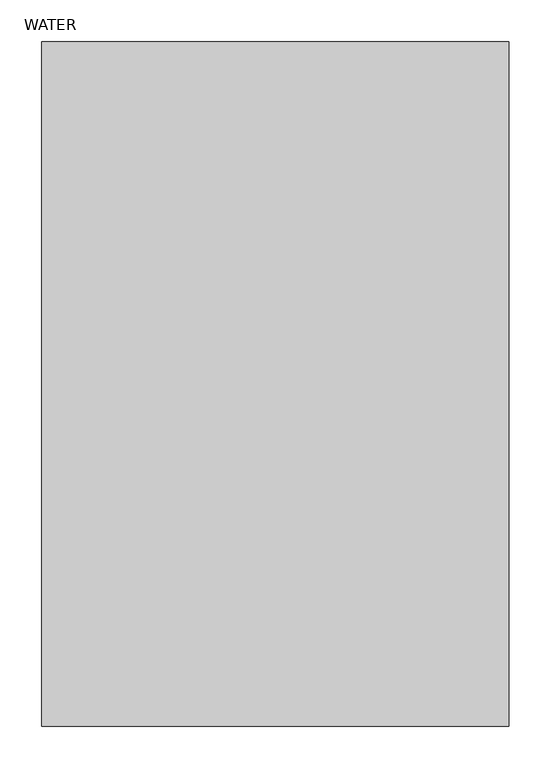
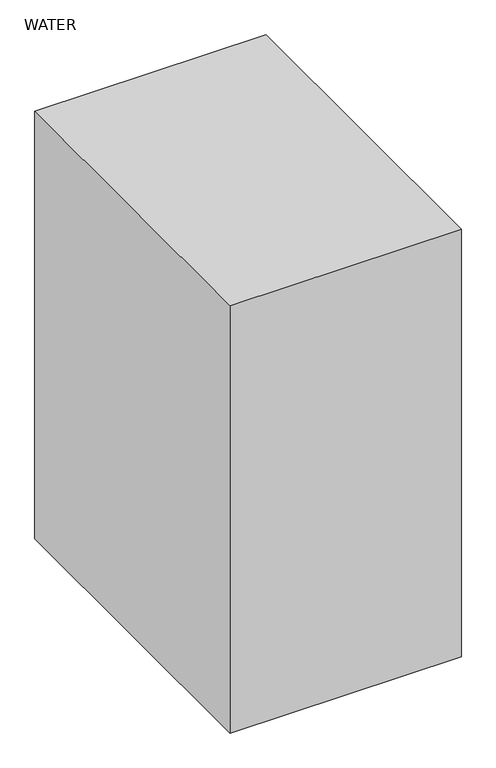
"""IFC4 building model written with IfcOpenShell, lengths in millimetres: proxy geometry, WATER."""

from ifc_helpers import new_model, si_unit, origin, origin_with_axes, place, context, project, spatial, polyline, outline, extrude, source, transform, mapped, element, save


def water_30bcfee0(model_context):
    return source(origin(), model_context, "Body", "SweptSolid", [
        extrude(outline(polyline([(448.1503244, 80.4099753), (448.1503244, -737.4700247), (-110.6496756, -737.4700247), (-110.6496756, 80.4099753), (448.1503244, 80.4099753)])), origin_with_axes(), (0.0, 0.0, 1.0), 1092.2),
    ])


if __name__ == "__main__":
    model = new_model("IFC4")
    model_context = context("Model", 3, world=origin())
    ifc_project = project(units=[si_unit("LENGTHUNIT", "METRE", prefix="MILLI")], contexts=[model_context])
    site = spatial("IfcSite", under=ifc_project)
    building = spatial("IfcBuilding", under=site)
    placement = place(None, origin())
    water_shape = water_30bcfee0(model_context)
    element("IfcBuildingElementProxy", 1, Name="WATER", ObjectType="WATER", at=placement, inside=building, context=model_context, shape_type="MappedRepresentation", body=[
        mapped(water_shape, transform((0.0, 0.0, 0.0), x_axis=(1.0, 0.0, 0.0), y_axis=(0.0, 1.0, 0.0), z_axis=(0.0, 0.0, 1.0))),
    ])
    save(model, "model.ifc")
